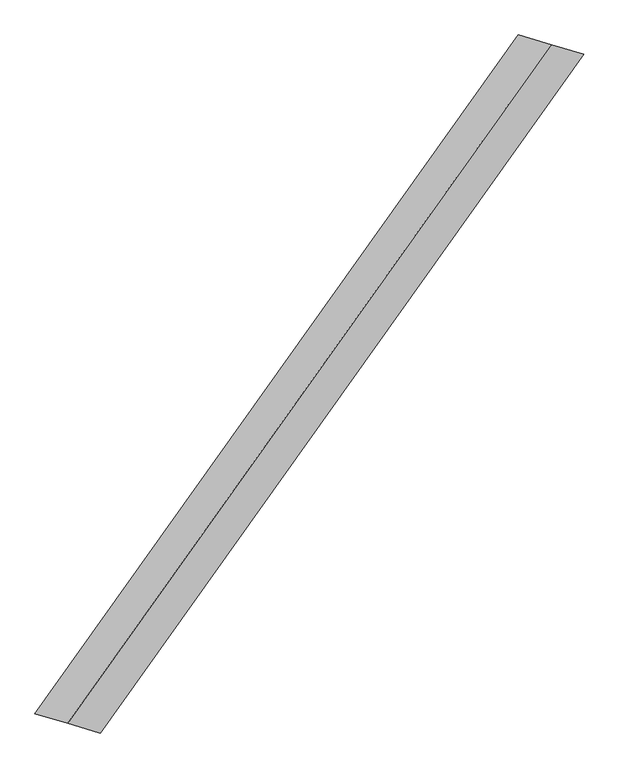
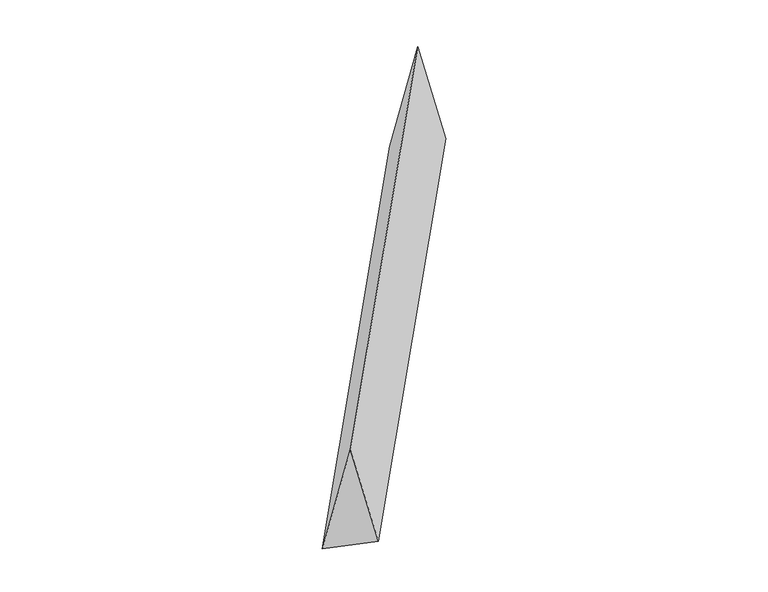
"""IFC4 building model written with IfcOpenShell, lengths in millimetres: proxy geometry."""

from ifc_helpers import new_model, si_unit, origin, place, context, project, spatial, faceted_brep, source, transform, mapped, element, save


def generic_models_6b6636ad(model_context):
    return source(origin(), model_context, "Body", "Brep", [
        faceted_brep([(-1227.2971648, -1722.9821956, 700.0), (-1061.6401049, -1771.8948652, 0.0), (1392.9542247, 1674.0695261, 0.0), (1227.2971648, 1722.9821956, 700.0), (-1392.9542247, -1674.0695261, 0.0), (1061.6401049, 1771.8948652, 0.0)], [[[0, 1, 2, 3]], [[1, 4, 5, 2]], [[4, 0, 3, 5]], [[3, 2, 5]], [[0, 4, 1]]]),
    ])


if __name__ == "__main__":
    model = new_model("IFC4")
    model_context = context("Model", 3, world=origin())
    ifc_project = project(units=[si_unit("LENGTHUNIT", "METRE", prefix="MILLI")], contexts=[model_context])
    site = spatial("IfcSite", under=ifc_project)
    building = spatial("IfcBuilding", under=site)
    placement = place(None, origin())
    generic_models_shape = generic_models_6b6636ad(model_context)
    element("IfcBuildingElementProxy", 1, Name="Generic Models", at=placement, inside=building, context=model_context, shape_type="MappedRepresentation", body=[
        mapped(generic_models_shape, transform((0.0, 0.0, 0.0), x_axis=(1.0, 0.0, 0.0), y_axis=(0.0, 1.0, 0.0), z_axis=(0.0, 0.0, 1.0))),
    ])
    save(model, "model.ifc")
